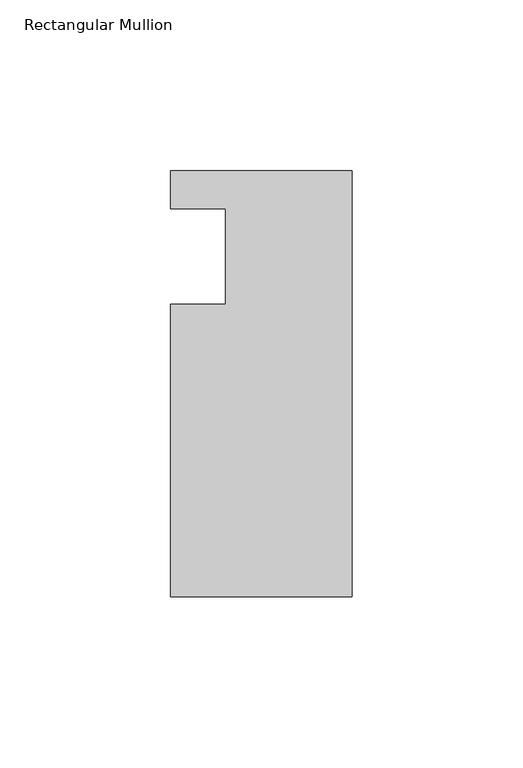
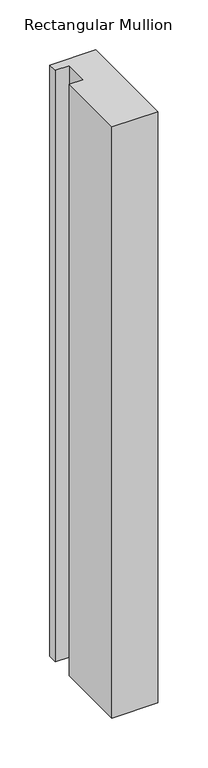
"""IFC4 building model written with IfcOpenShell, lengths in millimetres: member geometry, Rectangular Mullion."""

from ifc_helpers import new_model, si_unit, frame, origin, place, context, project, spatial, polyline, outline, extrude, source, transform, mapped, element, save


def rectangular_mullion_bbcb7b78(model_context):
    return source(origin(), model_context, "Body", "SweptSolid", [
        extrude(outline(polyline([(0.0, 25.0), (0.0, -99.5), (-53.0, -99.5), (-53.0, -14.0), (-37.0, -14.0), (-37.0, 14.0), (-53.0, 14.0), (-53.0, 25.0), (0.0, 25.0)])), frame((0.0, 0.0, -724.000019), z_axis=(0.0, 0.0, 1.0), x_axis=(1.0, 0.0, 0.0)), (0.0, 0.0, 1.0), 724.000019),
    ])


if __name__ == "__main__":
    model = new_model("IFC4")
    model_context = context("Model", 3, world=origin())
    ifc_project = project(units=[si_unit("LENGTHUNIT", "METRE", prefix="MILLI")], contexts=[model_context])
    site = spatial("IfcSite", under=ifc_project)
    building = spatial("IfcBuilding", under=site)
    placement = place(None, origin())
    rectangular_mullion_shape = rectangular_mullion_bbcb7b78(model_context)
    element("IfcMember", 1, ObjectType="Rectangular Mullion", at=placement, inside=building, context=model_context, shape_type="MappedRepresentation", body=[
        mapped(rectangular_mullion_shape, transform((0.0, 0.0, 0.0), x_axis=(1.0, 0.0, 0.0), y_axis=(0.0, 1.0, 0.0), z_axis=(0.0, 0.0, 1.0))),
    ])
    save(model, "model.ifc")
